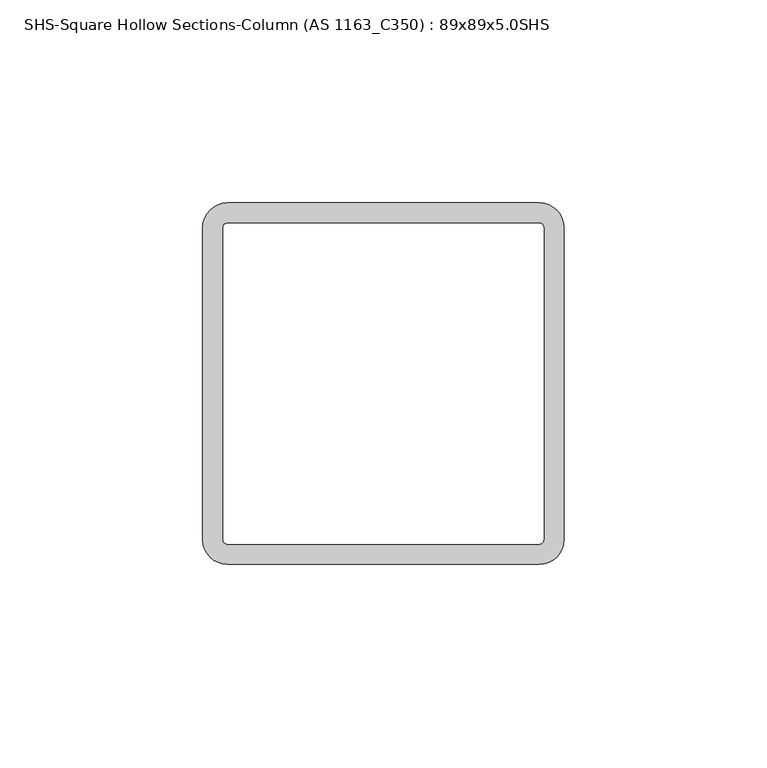
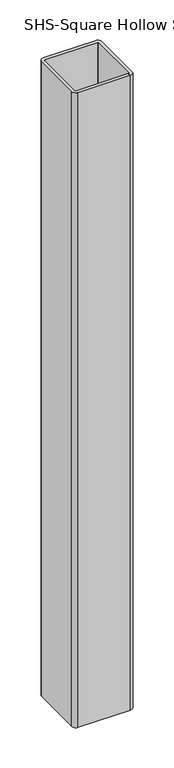
"""IFC4 building model written with IfcOpenShell, lengths in millimetres: column geometry, SHS-Square Hollow Sections-Column (AS 1163_C350) : 89x89x5.0SHS."""

from ifc_helpers import new_model, si_unit, point, frame, frame_2d, origin, place, context, project, spatial, polyline, circle_curve, trimmed, segment, composite_curve, outline, extrude, source, transform, mapped, element, save


def shs_square_hollow_sections_column_as_1163_c350_89x89x5_0shs_036772d9(model_context):
    return source(origin(), model_context, "Body", "SweptSolid", [
        extrude(outline(composite_curve([segment(trimmed(circle_curve(frame_2d((38.5, 38.5)), 6.0), [point((38.5, 44.5))], [point((44.5, 38.5))], False, "CARTESIAN"), True, "CONTINUOUS"), segment(polyline([(44.5, 38.5), (44.5, -38.5)]), True, "CONTINUOUS"), segment(trimmed(circle_curve(frame_2d((38.5, -38.5)), 6.0), [point((44.5, -38.5))], [point((38.5, -44.5))], False, "CARTESIAN"), True, "CONTINUOUS"), segment(polyline([(38.5, -44.5), (-38.5, -44.5)]), True, "CONTINUOUS"), segment(trimmed(circle_curve(frame_2d((-38.5, -38.5)), 6.0), [point((-38.5, -44.5))], [point((-44.5, -38.5))], False, "CARTESIAN"), True, "CONTINUOUS"), segment(polyline([(-44.5, -38.5), (-44.5, 38.5)]), True, "CONTINUOUS"), segment(trimmed(circle_curve(frame_2d((-38.5, 38.5)), 6.0), [point((-44.5, 38.5))], [point((-38.5, 44.5))], False, "CARTESIAN"), True, "CONTINUOUS"), segment(polyline([(-38.5, 44.5), (38.5, 44.5)]), True, "CONTINUOUS")], self_intersect=False), holes=[composite_curve([segment(polyline([(38.5, 39.5), (-38.5, 39.5)]), True, "CONTINUOUS"), segment(trimmed(circle_curve(frame_2d((-38.5, 38.5)), 1.0), [point((-38.5, 39.5))], [point((-39.5, 38.5))], True, "CARTESIAN"), True, "CONTINUOUS"), segment(polyline([(-39.5, 38.5), (-39.5, -38.5)]), True, "CONTINUOUS"), segment(trimmed(circle_curve(frame_2d((-38.5, -38.5)), 1.0), [point((-39.5, -38.5))], [point((-38.5, -39.5))], True, "CARTESIAN"), True, "CONTINUOUS"), segment(polyline([(-38.5, -39.5), (38.5, -39.5)]), True, "CONTINUOUS"), segment(trimmed(circle_curve(frame_2d((38.5, -38.5)), 1.0), [point((38.5, -39.5))], [point((39.5, -38.5))], True, "CARTESIAN"), True, "CONTINUOUS"), segment(polyline([(39.5, -38.5), (39.5, 38.5)]), True, "CONTINUOUS"), segment(trimmed(circle_curve(frame_2d((38.5, 38.5)), 1.0), [point((39.5, 38.5))], [point((38.5, 39.5))], True, "CARTESIAN"), True, "CONTINUOUS")], self_intersect=False)]), frame((0.0, 0.0, 14.0), z_axis=(0.0, 0.0, 1.0), x_axis=(1.0, 0.0, 0.0)), (0.0, 0.0, 1.0), 986.0),
    ])


if __name__ == "__main__":
    model = new_model("IFC4")
    model_context = context("Model", 3, world=origin())
    ifc_project = project(units=[si_unit("LENGTHUNIT", "METRE", prefix="MILLI")], contexts=[model_context])
    site = spatial("IfcSite", under=ifc_project)
    building = spatial("IfcBuilding", under=site)
    placement = place(None, origin())
    shs_square_hollow_sections_column_as_1163_c350_89x89x5_0shs_shape = shs_square_hollow_sections_column_as_1163_c350_89x89x5_0shs_036772d9(model_context)
    element("IfcColumn", 1, ObjectType="SHS-Square Hollow Sections-Column (AS 1163_C350) : 89x89x5.0SHS", at=placement, inside=building, context=model_context, shape_type="MappedRepresentation", body=[
        mapped(shs_square_hollow_sections_column_as_1163_c350_89x89x5_0shs_shape, transform((0.0, 0.0, 0.0), x_axis=(1.0, 0.0, 0.0), y_axis=(0.0, 1.0, 0.0), z_axis=(0.0, 0.0, 1.0))),
    ])
    save(model, "model.ifc")
